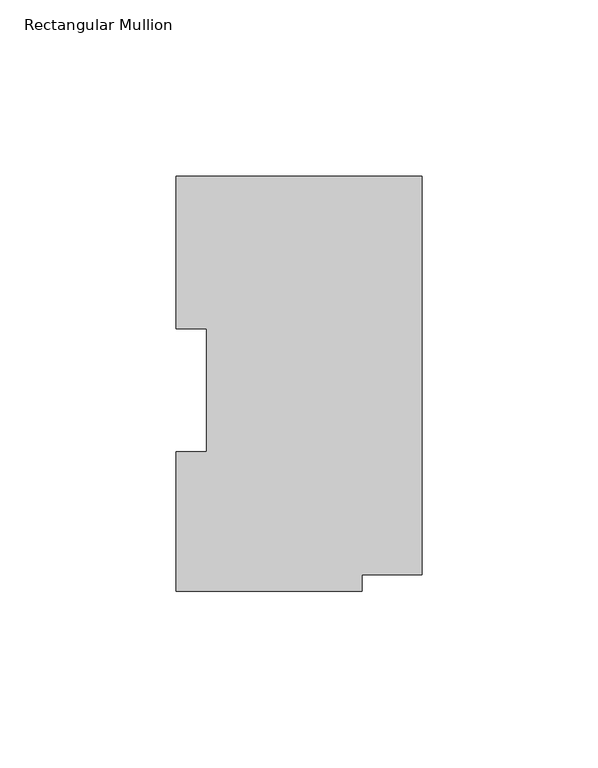
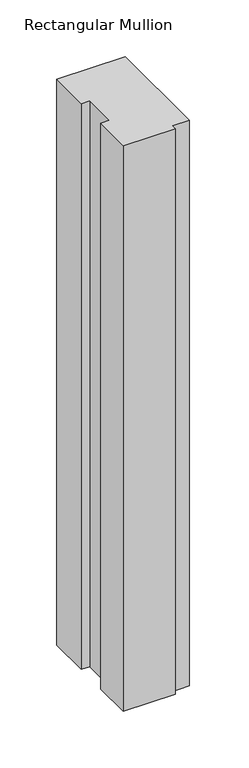
"""IFC4 building model written with IfcOpenShell, lengths in millimetres: member geometry, Rectangular Mullion."""

from ifc_helpers import new_model, si_unit, frame, origin, place, context, project, spatial, polyline, outline, extrude, source, transform, mapped, element, save


def rectangular_mullion_105067b6(model_context):
    return source(origin(), model_context, "Body", "SweptSolid", [
        extrude(outline(polyline([(-9.2e-06, 117.8274362), (0.0, 4.7466362), (-17.0688, 4.7466348), (-17.0687996, -0.0285656), (-69.8500206, -0.0285699), (-69.8500238, 39.6462388), (-61.1124126, 39.6462396), (-61.1124155, 74.5966398), (-69.8500057, 74.5966391), (-69.8500092, 117.8274305), (-9.2e-06, 117.8274362)])), frame((0.0, 0.0, -609.6), z_axis=(0.0, 0.0, 1.0), x_axis=(1.0, 0.0, 0.0)), (0.0, 0.0, 1.0), 609.6),
    ])


if __name__ == "__main__":
    model = new_model("IFC4")
    model_context = context("Model", 3, world=origin())
    ifc_project = project(units=[si_unit("LENGTHUNIT", "METRE", prefix="MILLI")], contexts=[model_context])
    site = spatial("IfcSite", under=ifc_project)
    building = spatial("IfcBuilding", under=site)
    placement = place(None, origin())
    rectangular_mullion_shape = rectangular_mullion_105067b6(model_context)
    element("IfcMember", 1, ObjectType="Rectangular Mullion", at=placement, inside=building, context=model_context, shape_type="MappedRepresentation", body=[
        mapped(rectangular_mullion_shape, transform((0.0, 0.0, 0.0), x_axis=(1.0, 0.0, 0.0), y_axis=(0.0, 1.0, 0.0), z_axis=(0.0, 0.0, 1.0))),
    ])
    save(model, "model.ifc")
